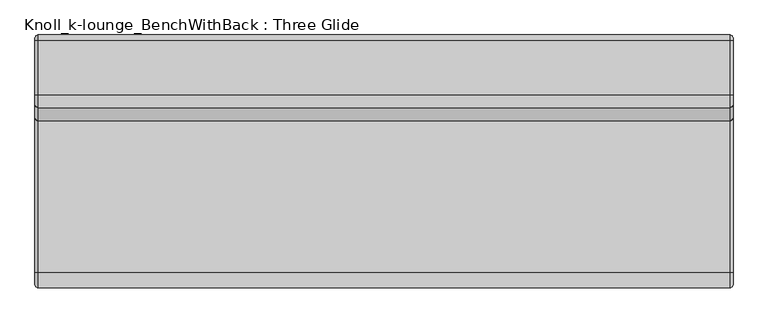
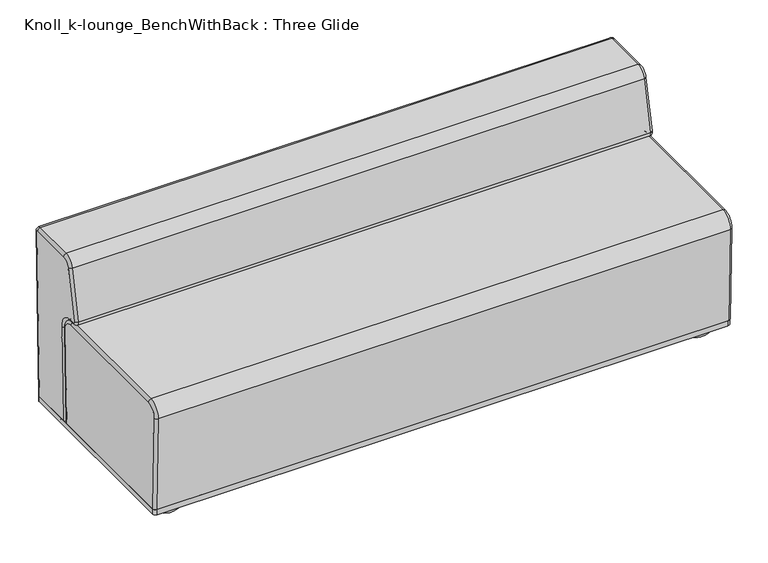
"""IFC4 building model written with IfcOpenShell, lengths in millimetres: furniture geometry, Knoll_k-lounge_BenchWithBack : Three Glide."""

from ifc_helpers import new_model, si_unit, point, frame, frame_2d, origin, place, context, project, spatial, polyline, circle_curve, ellipse_curve, trimmed, segment, composite_curve, outline, extrude, source, transform, mapped, element, save
from ifc_brep_helpers import plane_surface, cylinder_surface, revolved_surface, advanced_brep


def knoll_k_lounge_benchwithback_three_glide_afe26821(model_context):
    return source(origin(), model_context, "Body", "SolidModel", [
        advanced_brep(
        [(0.0, -707.4038211, 392.7257994), (0.0, -673.1276627, 427.99), (0.0, -212.7245581, 427.99), (0.0, -178.4483999, 392.7257938), (0.0, -187.9862255, 57.15), (0.0, -697.8660499, 57.15), (10.16, -168.2925011, 392.4371401), (1971.04, -168.2925011, 392.4371401), (1971.04, -177.8221226, 57.15), (10.16, -177.8221226, 57.15), (10.16, -212.7245581, 438.15), (1971.04, -212.7245581, 438.15), (10.16, -673.1276627, 438.15), (1971.04, -673.1276627, 438.15), (10.16, -717.5597199, 392.4371473), (1971.04, -717.5597199, 392.4371473), (10.16, -708.0301528, 57.15), (1971.04, -708.0301528, 57.15), (1981.2, -178.4483999, 392.7257938), (1981.2, -212.7245581, 427.99), (1981.2, -673.1276627, 427.99), (1981.2, -707.4038211, 392.7257994), (1981.2, -697.8660499, 57.15), (1981.2, -187.9862255, 57.15)],
        [
            (0, 1, circle_curve(frame((0.0, -673.1276627, 393.7), z_axis=(-1.0, 0.0, 0.0), x_axis=(0.0, 0.0, 1.0)), 34.29)),
            (1, 2),
            (2, 3, circle_curve(frame((0.0, -212.7245581, 393.7), z_axis=(-1.0, 0.0, 0.0), x_axis=(0.0, 0.9995963318518365, -0.02841079633437019)), 34.29)),
            (3, 4),
            (4, 5),
            (5, 0),
            (6, 7),
            (7, 8),
            (8, 9),
            (9, 6),
            (6, 10, circle_curve(frame((10.16, -212.7245581, 393.7), z_axis=(1.0, 0.0, 0.0), x_axis=(0.0, 0.9995963318518365, -0.02841079633437019)), 44.45)),
            (10, 11),
            (11, 7, circle_curve(frame((1971.04, -212.7245581, 393.7), z_axis=(-1.0, 0.0, 0.0), x_axis=(0.0, 0.9995963318518365, -0.02841079633437019)), 44.45)),
            (10, 12),
            (12, 13),
            (13, 11),
            (12, 14, circle_curve(frame((10.16, -673.1276627, 393.7), z_axis=(1.0, 0.0, 0.0), x_axis=(0.0, 0.0, 1.0)), 44.45)),
            (14, 15),
            (15, 13, circle_curve(frame((1971.04, -673.1276627, 393.7), z_axis=(-1.0, 0.0, 0.0), x_axis=(0.0, 0.0, 1.0)), 44.45)),
            (14, 16),
            (16, 17),
            (17, 15),
            (18, 19, circle_curve(frame((1981.2, -212.7245581, 393.7), z_axis=(1.0, 0.0, 0.0), x_axis=(0.0, 0.9995963318518365, -0.02841079633437019)), 34.29)),
            (19, 20),
            (20, 21, circle_curve(frame((1981.2, -673.1276627, 393.7), z_axis=(1.0, 0.0, 0.0), x_axis=(0.0, 0.0, 1.0)), 34.29)),
            (21, 22),
            (22, 23),
            (23, 18),
            (3, 6, circle_curve(frame((10.16, -178.4483999, 392.7257938), z_axis=(0.0, -0.02841079633436922, -0.9995963318518366), x_axis=(0.0, 0.9995963318518366, -0.02841079633436922)), 10.16)),
            (9, 4, ellipse_curve(frame((10.16, -187.9862255, 57.15), z_axis=(0.0, 0.0, 1.0), x_axis=(0.0, -1.0, 0.0)), 10.1641029, 10.16)),
            (7, 18, circle_curve(frame((1971.04, -178.4483999, 392.7257938), z_axis=(0.0, -0.02841079633436922, -0.9995963318518366), x_axis=(0.0, 0.9995963318518366, -0.02841079633436922)), 10.16)),
            (23, 8, ellipse_curve(frame((1971.04, -187.9862255, 57.15), z_axis=(0.0, 0.0, 1.0), x_axis=(0.0, -1.0, 0.0)), 10.1641029, 10.16)),
            (2, 10, circle_curve(frame((10.16, -212.7245581, 427.99), z_axis=(0.0, 1.0, 0.0), x_axis=(0.0, 0.0, 1.0)), 10.16)),
            (11, 19, circle_curve(frame((1971.04, -212.7245581, 427.99), z_axis=(0.0, 1.0, 0.0), x_axis=(0.0, 0.0, 1.0)), 10.16)),
            (1, 12, circle_curve(frame((10.16, -673.1276627, 427.99), z_axis=(0.0, 1.0, 0.0), x_axis=(0.0, 0.0, 1.0)), 10.16)),
            (13, 20, circle_curve(frame((1971.04, -673.1276627, 427.99), z_axis=(0.0, 1.0, 0.0), x_axis=(0.0, 0.0, 1.0)), 10.16)),
            (0, 14, circle_curve(frame((10.16, -707.4038211, 392.7257994), z_axis=(0.0, -0.028410633665291517, 0.9995963364752477), x_axis=(0.0, -0.9995963364752477, -0.028410633665291517)), 10.16)),
            (15, 21, circle_curve(frame((1971.04, -707.4038211, 392.7257994), z_axis=(0.0, -0.028410633665295955, 0.9995963364752476), x_axis=(0.0, -0.9995963364752476, -0.028410633665295955)), 10.16)),
            (5, 16, ellipse_curve(frame((10.16, -697.8660499, 57.15), z_axis=(0.0, 0.0, 1.0), x_axis=(0.0, -1.0, 0.0)), 10.1641029, 10.16)),
            (17, 22, ellipse_curve(frame((1971.04, -697.8660499, 57.15), z_axis=(0.0, 0.0, 1.0), x_axis=(0.0, -1.0, 0.0)), 10.1641029, 10.16)),
        ],
        [
            plane_surface(frame((0.0, -191.0686955, 38.1), z_axis=(-1.0000000000000002, 0.0, 0.0), x_axis=(0.0, 0.028410796334368296, 0.9995963318518367))),
            plane_surface(frame((10.16, -178.3738221, 37.7391829), z_axis=(0.0, 0.9995963318518366, -0.028410796334369624), x_axis=(0.0, 0.028410796334369624, 0.9995963318518366))),
            cylinder_surface(frame((0.0, -212.7245581, 393.7), z_axis=(1.0, 0.0, 0.0), x_axis=(0.0, 0.9995963318518365, -0.02841079633437019)), 44.45),
            plane_surface(frame((10.16, -212.7245581, 438.15), z_axis=(0.0, 0.0, 1.0), x_axis=(0.0, -1.0, 0.0))),
            cylinder_surface(frame((0.0, -673.1276627, 393.7), z_axis=(1.0, 0.0, 0.0), x_axis=(0.0, 0.0, 1.0)), 44.45),
            plane_surface(frame((10.16, -717.5597199, 392.4371473), z_axis=(0.0, -0.999596336475247, -0.02841063366531571), x_axis=(0.0, 0.02841063366531571, -0.999596336475247))),
            plane_surface(frame((1981.2, -188.5297208, 38.0278366), z_axis=(1.0000000000000002, 0.0, 0.0), x_axis=(0.0, 0.028410796334369243, 0.9995963318518366))),
            cylinder_surface(frame((10.16, -188.5297208, 38.0278366), z_axis=(0.0, -0.02841079633436922, -0.9995963318518366), x_axis=(0.0, 0.9995963318518366, -0.02841079633436922)), 10.16),
            cylinder_surface(frame((1971.04, -188.5297208, 38.0278366), z_axis=(0.0, -0.02841079633436922, -0.9995963318518366), x_axis=(0.0, 0.9995963318518366, -0.02841079633436922)), 10.16),
            revolved_surface(trimmed(ellipse_curve(frame((10.16, -178.4483999, 392.7257938), z_axis=(0.0, -0.02841079633437019, -0.9995963318518365), x_axis=(0.0, 0.9995963318518365, -0.02841079633437019)), 10.16, 10.16), [point((0.0, -178.4483999, 392.7257938))], [point((10.16, -168.2925011, 392.4371401))], True, "CARTESIAN"), (0.0, -212.7245581, 393.7), (1.0, 0.0, 0.0)),
            revolved_surface(trimmed(ellipse_curve(frame((1971.04, -178.4483999, 392.7257938), z_axis=(0.0, -0.02841079633437019, -0.9995963318518365), x_axis=(0.0, 0.9995963318518365, -0.02841079633437019)), 10.16, 10.16), [point((1971.04, -168.2925011, 392.4371401))], [point((1981.2, -178.4483999, 392.7257938))], True, "CARTESIAN"), (0.0, -212.7245581, 393.7), (1.0, 0.0, 0.0)),
            cylinder_surface(frame((10.16, -212.7245581, 427.99), z_axis=(0.0, 1.0, 0.0), x_axis=(0.0, 0.0, 1.0)), 10.16),
            cylinder_surface(frame((1971.04, -212.7245581, 427.99), z_axis=(0.0, 1.0, 0.0), x_axis=(0.0, 0.0, 1.0)), 10.16),
            revolved_surface(trimmed(ellipse_curve(frame((10.16, -673.1276627, 427.99), z_axis=(0.0, 1.0, 0.0), x_axis=(0.0, 0.0, 1.0)), 10.16, 10.16), [point((0.0, -673.1276627, 427.99))], [point((10.16, -673.1276627, 438.15))], True, "CARTESIAN"), (0.0, -673.1276627, 393.7), (1.0, 0.0, 0.0)),
            revolved_surface(trimmed(ellipse_curve(frame((1971.04, -673.1276627, 427.99), z_axis=(0.0, 1.0, 0.0), x_axis=(0.0, 0.0, 1.0)), 10.16, 10.16), [point((1971.04, -673.1276627, 438.15))], [point((1981.2, -673.1276627, 427.99))], True, "CARTESIAN"), (0.0, -673.1276627, 393.7), (1.0, 0.0, 0.0)),
            cylinder_surface(frame((10.16, -707.4038211, 392.7257994), z_axis=(0.0, -0.028410633665317608, 0.9995963364752469), x_axis=(0.0, -0.9995963364752469, -0.028410633665317608)), 10.16),
            cylinder_surface(frame((1971.04, -707.4038211, 392.7257994), z_axis=(0.0, -0.028410633665317608, 0.9995963364752469), x_axis=(0.0, -0.9995963364752469, -0.028410633665317608)), 10.16),
            plane_surface(frame((-25.4, 25.4, 57.15), z_axis=(0.0, 0.0, -1.0), x_axis=(0.0, -1.0, 0.0))),
        ],
        [
            (0, [[1, 2, 3, 4, 5, 6]]),
            (1, [[7, 8, 9, 10]]),
            (2, [[-7, 11, 12, 13]]),
            (3, [[-12, 14, 15, 16]]),
            (4, [[-15, 17, 18, 19]]),
            (5, [[-18, 20, 21, 22]]),
            (6, [[23, 24, 25, 26, 27, 28]]),
            (7, [[29, -10, 30, -4]]),
            (8, [[31, -28, 32, -8]]),
            (9, [[-3, 33, -11, -29]]),
            (10, [[-13, 34, -23, -31]]),
            (11, [[-2, 35, -14, -33]]),
            (12, [[-16, 36, -24, -34]]),
            (13, [[-1, 37, -17, -35]]),
            (14, [[-19, 38, -25, -36]]),
            (15, [[-37, -6, 39, -20]]),
            (16, [[-38, -22, 40, -26]]),
            (17, [[-5, -30, -9, -32, -27, -40, -21, -39]]),
        ],
    ),
        advanced_brep(
        [(0.0, -158.1626524, 392.1483892), (0.0, -212.7245503, 448.2839555), (0.0, -228.7554271, 448.2839555), (0.0, -233.7498923, 454.4516067), (0.0, -196.836694, 628.1144936), (0.0, -169.4817751, 650.2660687), (0.0, -15.300339, 650.2660687), (0.0, -10.1958901, 645.0323832), (0.0, -24.8963821, 57.15), (0.0, -167.689211, 57.15), (10.16, -0.0390651, 644.7784033), (1971.04, -0.0390651, 644.7784033), (1971.04, -14.7332061, 57.15), (10.16, -14.7332061, 57.15), (10.16, -15.300339, 660.4260687), (1971.04, -15.300339, 660.4260687), (10.16, -169.4817751, 660.4260687), (1971.04, -169.4817751, 660.4260687), (10.16, -206.7746735, 630.2268771), (1971.04, -206.7746735, 630.2268771), (10.16, -243.6878717, 456.5639901), (1971.04, -243.6878717, 456.5639901), (10.16, -228.7554271, 438.1239555), (1971.04, -228.7554271, 438.1239555), (10.16, -212.7245503, 438.1239555), (1971.04, -212.7245503, 438.1239555), (10.16, -168.3185467, 392.4371987), (1971.04, -168.3185467, 392.4371987), (10.16, -177.8533184, 57.15), (1971.04, -177.8533184, 57.15), (1981.2, -10.1958901, 645.0323832), (1981.2, -15.300339, 650.2660687), (1981.2, -169.4817751, 650.2660687), (1981.2, -196.836694, 628.1144936), (1981.2, -233.7498923, 454.4516067), (1981.2, -228.7554271, 448.2839555), (1981.2, -212.7245503, 448.2839555), (1981.2, -158.1626524, 392.1483892), (1981.2, -167.689211, 57.15), (1981.2, -24.8963821, 57.15)],
        [
            (0, 1, circle_curve(frame((0.0, -212.7245503, 393.7), z_axis=(1.0, 0.0, 0.0), x_axis=(0.0, 0.0, 1.0)), 54.5839555)),
            (1, 2),
            (2, 3, circle_curve(frame((0.0, -228.7554271, 453.39), z_axis=(-1.0, 0.0, 0.0), x_axis=(0.0, -0.9781475869151179, 0.20791175582956273)), 5.1060445)),
            (3, 4),
            (4, 5, circle_curve(frame((0.0, -169.4817751, 622.3000242), z_axis=(-1.0, 0.0, 0.0), x_axis=(0.0, 0.0, 1.0)), 27.9660445)),
            (5, 6),
            (6, 7, circle_curve(frame((0.0, -15.300339, 645.1600242), z_axis=(-1.0, 0.0, 0.0), x_axis=(0.0, 0.9996875005622113, -0.024998024315508183)), 5.1060445)),
            (7, 8),
            (8, 9),
            (9, 0),
            (10, 11),
            (11, 12),
            (12, 13),
            (13, 10),
            (10, 14, circle_curve(frame((10.16, -15.300339, 645.1600242), z_axis=(1.0, 0.0, 0.0), x_axis=(0.0, 0.9996875005622113, -0.024998024315508183)), 15.2660445)),
            (14, 15),
            (15, 11, circle_curve(frame((1971.04, -15.300339, 645.1600242), z_axis=(-1.0, 0.0, 0.0), x_axis=(0.0, 0.9996875005622113, -0.024998024315508183)), 15.2660445)),
            (14, 16),
            (16, 17),
            (17, 15),
            (16, 18, circle_curve(frame((10.16, -169.4817751, 622.3000242), z_axis=(1.0, 0.0, 0.0), x_axis=(0.0, 0.0, 1.0)), 38.1260445)),
            (18, 19),
            (19, 17, circle_curve(frame((1971.04, -169.4817751, 622.3000242), z_axis=(-1.0, 0.0, 0.0), x_axis=(0.0, 0.0, 1.0)), 38.1260445)),
            (18, 20),
            (20, 21),
            (21, 19),
            (20, 22, circle_curve(frame((10.16, -228.7554271, 453.39), z_axis=(1.0, 0.0, 0.0), x_axis=(0.0, -0.9781475869151179, 0.20791175582956273)), 15.2660445)),
            (22, 23),
            (23, 21, circle_curve(frame((1971.04, -228.7554271, 453.39), z_axis=(-1.0, 0.0, 0.0), x_axis=(0.0, -0.9781475869151179, 0.20791175582956273)), 15.2660445)),
            (22, 24),
            (24, 25),
            (25, 23),
            (24, 26, circle_curve(frame((10.16, -212.7245503, 393.7), z_axis=(-1.0, 0.0, 0.0), x_axis=(0.0, 0.0, 1.0)), 44.4239555)),
            (26, 27),
            (27, 25, circle_curve(frame((1971.04, -212.7245503, 393.7), z_axis=(1.0, 0.0, 0.0), x_axis=(0.0, 0.0, 1.0)), 44.4239555)),
            (26, 28),
            (28, 29),
            (29, 27),
            (30, 31, circle_curve(frame((1981.2, -15.300339, 645.1600242), z_axis=(1.0, 0.0, 0.0), x_axis=(0.0, 0.9996875005622113, -0.024998024315508183)), 5.1060445)),
            (31, 32),
            (32, 33, circle_curve(frame((1981.2, -169.4817751, 622.3000242), z_axis=(1.0, 0.0, 0.0), x_axis=(0.0, 0.0, 1.0)), 27.9660445)),
            (33, 34),
            (34, 35, circle_curve(frame((1981.2, -228.7554271, 453.39), z_axis=(1.0, 0.0, 0.0), x_axis=(0.0, -0.9781475869151179, 0.20791175582956273)), 5.1060445)),
            (35, 36),
            (36, 37, circle_curve(frame((1981.2, -212.7245503, 393.7), z_axis=(-1.0, 0.0, 0.0), x_axis=(0.0, 0.0, 1.0)), 54.5839555)),
            (37, 38),
            (38, 39),
            (39, 30),
            (7, 10, circle_curve(frame((10.16, -10.1958901, 645.0323832), z_axis=(0.0, -0.024998024315484563, -0.999687500562212), x_axis=(0.0, 0.999687500562212, -0.024998024315484563)), 10.16)),
            (13, 8, ellipse_curve(frame((10.16, -24.8963821, 57.15), z_axis=(0.0, 0.0, 1.0), x_axis=(0.0, -1.0, 0.0)), 10.163176, 10.16)),
            (11, 30, circle_curve(frame((1971.04, -10.1958901, 645.0323832), z_axis=(0.0, -0.024998024315484563, -0.999687500562212), x_axis=(0.0, 0.999687500562212, -0.024998024315484563)), 10.16)),
            (39, 12, ellipse_curve(frame((1971.04, -24.8963821, 57.15), z_axis=(0.0, 0.0, 1.0), x_axis=(0.0, -1.0, 0.0)), 10.163176, 10.16)),
            (6, 14, circle_curve(frame((10.16, -15.300339, 650.2660687), z_axis=(0.0, 1.0, 0.0), x_axis=(0.0, 0.0, 1.0)), 10.16)),
            (15, 31, circle_curve(frame((1971.04, -15.300339, 650.2660687), z_axis=(0.0, 1.0, 0.0), x_axis=(0.0, 0.0, 1.0)), 10.16)),
            (5, 16, circle_curve(frame((10.16, -169.4817751, 650.2660687), z_axis=(0.0, 1.0, 0.0), x_axis=(0.0, 0.0, 1.0)), 10.16)),
            (17, 32, circle_curve(frame((1971.04, -169.4817751, 650.2660687), z_axis=(0.0, 1.0, 0.0), x_axis=(0.0, 0.0, 1.0)), 10.16)),
            (4, 18, circle_curve(frame((10.16, -196.836694, 628.1144936), z_axis=(0.0, 0.20791175582958119, 0.978147586915114), x_axis=(0.0, -0.978147586915114, 0.20791175582958119)), 10.16)),
            (19, 33, circle_curve(frame((1971.04, -196.836694, 628.1144936), z_axis=(0.0, 0.20791175582957597, 0.9781475869151152), x_axis=(0.0, -0.9781475869151152, 0.20791175582957597)), 10.16)),
            (3, 20, circle_curve(frame((10.16, -233.7498923, 454.4516067), z_axis=(0.0, 0.2079117558295713, 0.9781475869151162), x_axis=(0.0, -0.9781475869151162, 0.2079117558295713)), 10.16)),
            (21, 34, circle_curve(frame((1971.04, -233.7498923, 454.4516067), z_axis=(0.0, 0.2079117558295713, 0.9781475869151162), x_axis=(0.0, -0.9781475869151162, 0.2079117558295713)), 10.16)),
            (2, 22, circle_curve(frame((10.16, -228.7554271, 448.2839555), z_axis=(0.0, -0.9999999999999999, 0.0), x_axis=(0.0, 0.0, -0.9999999999999999)), 10.16)),
            (23, 35, circle_curve(frame((1971.04, -228.7554271, 448.2839555), z_axis=(0.0, -0.9999999999999999, 0.0), x_axis=(0.0, 0.0, -0.9999999999999999)), 10.16)),
            (1, 24, circle_curve(frame((10.16, -212.7245503, 448.2839555), z_axis=(0.0, -1.0, 0.0), x_axis=(0.0, 0.0, -1.0)), 10.16)),
            (25, 36, circle_curve(frame((1971.04, -212.7245503, 448.2839555), z_axis=(0.0, -1.0, 0.0), x_axis=(0.0, 0.0, -1.0)), 10.16)),
            (0, 26, circle_curve(frame((10.16, -158.1626524, 392.1483892), z_axis=(0.0, 0.028426133328951084, 0.999595895821889), x_axis=(0.0, -0.999595895821889, 0.028426133328951084)), 10.16)),
            (27, 37, circle_curve(frame((1971.04, -158.1626524, 392.1483892), z_axis=(0.0, 0.028426133328950862, 0.999595895821889), x_axis=(0.0, -0.999595895821889, 0.028426133328950862)), 10.16)),
            (9, 28, ellipse_curve(frame((10.16, -167.689211, 57.15), z_axis=(0.0, 0.0, 1.0), x_axis=(0.0, 1.0, 0.0)), 10.1641074, 10.16)),
            (29, 38, ellipse_curve(frame((1971.04, -167.689211, 57.15), z_axis=(0.0, 0.0, 1.0), x_axis=(0.0, 1.0, 0.0)), 10.1641074, 10.16)),
        ],
        [
            plane_surface(frame((0.0, -27.93959, 38.1), z_axis=(-1.0000000000000002, 0.0, 0.0), x_axis=(0.0, 0.024998024315484275, 0.999687500562212))),
            plane_surface(frame((10.16, -15.2175224, 37.781874), z_axis=(0.0, 0.999687500562212, -0.024998024315483782), x_axis=(0.0, 0.024998024315483782, 0.999687500562212))),
            cylinder_surface(frame((0.0, -15.300339, 645.1600242), z_axis=(1.0, 0.0, 0.0), x_axis=(0.0, 0.9996875005622113, -0.024998024315508183)), 15.2660445),
            plane_surface(frame((10.16, -15.300339, 660.4260687), z_axis=(0.0, 0.0, 1.0), x_axis=(0.0, -1.0, 0.0))),
            cylinder_surface(frame((0.0, -169.4817751, 622.3000242), z_axis=(1.0, 0.0, 0.0), x_axis=(0.0, 0.0, 1.0)), 38.1260445),
            plane_surface(frame((10.16, -206.7746735, 630.2268771), z_axis=(0.0, -0.9781475869151162, 0.20791175582957136), x_axis=(0.0, -0.20791175582957136, -0.9781475869151162))),
            cylinder_surface(frame((0.0, -228.7554271, 453.39), z_axis=(1.0, 0.0, 0.0), x_axis=(0.0, -0.9781475869151179, 0.20791175582956273)), 15.2660445),
            plane_surface(frame((10.16, -228.7554271, 438.1239555), z_axis=(0.0, 0.0, -1.0), x_axis=(0.0, 1.0, 0.0))),
            revolved_surface(polyline([(10.16, -212.7245503, 438.12395549999997), (1971.04, -212.7245503, 438.12395549999997)]), (0.0, -212.7245503, 393.7), (-1.0, 0.0, 0.0)),
            plane_surface(frame((10.16, -168.3185467, 392.4371987), z_axis=(0.0, -0.9995958958218888, 0.02842613332895926), x_axis=(0.0, -0.02842613332895926, -0.9995958958218888))),
            plane_surface(frame((1981.2, -25.3743474, 38.035854), z_axis=(1.0000000000000002, 0.0, 0.0), x_axis=(0.0, 0.024998024315483744, 0.999687500562212))),
            cylinder_surface(frame((10.16, -25.3743474, 38.035854), z_axis=(0.0, -0.024998024315484563, -0.999687500562212), x_axis=(0.0, 0.999687500562212, -0.024998024315484563)), 10.16),
            cylinder_surface(frame((1971.04, -25.3743474, 38.035854), z_axis=(0.0, -0.024998024315484563, -0.999687500562212), x_axis=(0.0, 0.999687500562212, -0.024998024315484563)), 10.16),
            revolved_surface(trimmed(ellipse_curve(frame((10.16, -10.1958901, 645.0323832), z_axis=(0.0, -0.024998024315508186, -0.9996875005622113), x_axis=(0.0, 0.9996875005622113, -0.024998024315508186)), 10.16, 10.16), [point((0.0, -10.1958901, 645.0323832))], [point((10.16, -0.0390651, 644.7784033))], True, "CARTESIAN"), (0.0, -15.300339, 645.1600242), (1.0, 0.0, 0.0)),
            revolved_surface(trimmed(ellipse_curve(frame((1971.04, -10.1958901, 645.0323832), z_axis=(0.0, -0.024998024315508186, -0.9996875005622113), x_axis=(0.0, 0.9996875005622113, -0.024998024315508186)), 10.16, 10.16), [point((1971.04, -0.0390651, 644.7784033))], [point((1981.2, -10.1958901, 645.0323832))], True, "CARTESIAN"), (0.0, -15.300339, 645.1600242), (1.0, 0.0, 0.0)),
            cylinder_surface(frame((10.16, -15.300339, 650.2660687), z_axis=(0.0, 1.0, 0.0), x_axis=(0.0, 0.0, 1.0)), 10.16),
            cylinder_surface(frame((1971.04, -15.300339, 650.2660687), z_axis=(0.0, 1.0, 0.0), x_axis=(0.0, 0.0, 1.0)), 10.16),
            revolved_surface(trimmed(ellipse_curve(frame((10.16, -169.4817751, 650.2660687), z_axis=(0.0, 1.0, 0.0), x_axis=(0.0, 0.0, 1.0)), 10.16, 10.16), [point((0.0, -169.4817751, 650.2660687))], [point((10.16, -169.4817751, 660.4260687))], True, "CARTESIAN"), (0.0, -169.4817751, 622.3000242), (1.0, 0.0, 0.0)),
            revolved_surface(trimmed(ellipse_curve(frame((1971.04, -169.4817751, 650.2660687), z_axis=(0.0, 1.0, 0.0), x_axis=(0.0, 0.0, 1.0)), 10.16, 10.16), [point((1971.04, -169.4817751, 660.4260687))], [point((1981.2, -169.4817751, 650.2660687))], True, "CARTESIAN"), (0.0, -169.4817751, 622.3000242), (1.0, 0.0, 0.0)),
            cylinder_surface(frame((10.16, -196.836694, 628.1144936), z_axis=(0.0, 0.2079117558295713, 0.9781475869151162), x_axis=(0.0, -0.9781475869151162, 0.2079117558295713)), 10.16),
            cylinder_surface(frame((1971.04, -196.836694, 628.1144936), z_axis=(0.0, 0.2079117558295713, 0.9781475869151162), x_axis=(0.0, -0.9781475869151162, 0.2079117558295713)), 10.16),
            revolved_surface(trimmed(ellipse_curve(frame((10.16, -233.7498923, 454.4516067), z_axis=(0.0, 0.20791175582956276, 0.9781475869151179), x_axis=(0.0, -0.9781475869151179, 0.20791175582956276)), 10.16, 10.16), [point((0.0, -233.7498923, 454.4516067))], [point((10.16, -243.6878717, 456.5639901))], True, "CARTESIAN"), (0.0, -228.7554271, 453.39), (1.0, 0.0, 0.0)),
            revolved_surface(trimmed(ellipse_curve(frame((1971.04, -233.7498923, 454.4516067), z_axis=(0.0, 0.20791175582956276, 0.9781475869151179), x_axis=(0.0, -0.9781475869151179, 0.20791175582956276)), 10.16, 10.16), [point((1971.04, -243.6878717, 456.5639901))], [point((1981.2, -233.7498923, 454.4516067))], True, "CARTESIAN"), (0.0, -228.7554271, 453.39), (1.0, 0.0, 0.0)),
            cylinder_surface(frame((10.16, -228.7554271, 448.2839555), z_axis=(0.0, -1.0, 0.0), x_axis=(0.0, 0.0, -1.0)), 10.16),
            cylinder_surface(frame((1971.04, -228.7554271, 448.2839555), z_axis=(0.0, -1.0, 0.0), x_axis=(0.0, 0.0, -1.0)), 10.16),
            revolved_surface(trimmed(ellipse_curve(frame((10.16, -212.7245503, 448.2839555), z_axis=(0.0, -1.0, 0.0), x_axis=(0.0, 0.0, -1.0)), 10.16, 10.16), [point((0.0, -212.7245503, 448.2839555))], [point((10.16, -212.7245503, 438.1239555))], True, "CARTESIAN"), (0.0, -212.7245503, 393.7), (-1.0, 0.0, 0.0)),
            revolved_surface(trimmed(ellipse_curve(frame((1971.04, -212.7245503, 448.2839555), z_axis=(0.0, -1.0, 0.0), x_axis=(0.0, 0.0, -1.0)), 10.16, 10.16), [point((1971.04, -212.7245503, 438.1239555))], [point((1981.2, -212.7245503, 448.2839555))], True, "CARTESIAN"), (0.0, -212.7245503, 393.7), (-1.0, 0.0, 0.0)),
            cylinder_surface(frame((10.16, -158.1626524, 392.1483892), z_axis=(0.0, 0.02842613332895832, 0.9995958958218888), x_axis=(0.0, -0.9995958958218888, 0.02842613332895832)), 10.16),
            cylinder_surface(frame((1971.04, -158.1626524, 392.1483892), z_axis=(0.0, 0.02842613332895832, 0.9995958958218888), x_axis=(0.0, -0.9995958958218888, 0.02842613332895832)), 10.16),
            plane_surface(frame((-25.4, 25.4, 57.15), z_axis=(0.0, 0.0, -1.0), x_axis=(0.0, -1.0, 0.0))),
        ],
        [
            (0, [[1, 2, 3, 4, 5, 6, 7, 8, 9, 10]]),
            (1, [[11, 12, 13, 14]]),
            (2, [[-11, 15, 16, 17]]),
            (3, [[-16, 18, 19, 20]]),
            (4, [[-19, 21, 22, 23]]),
            (5, [[-22, 24, 25, 26]]),
            (6, [[-25, 27, 28, 29]]),
            (7, [[-28, 30, 31, 32]]),
            (8, [[-31, 33, 34, 35]]),
            (9, [[-34, 36, 37, 38]]),
            (10, [[39, 40, 41, 42, 43, 44, 45, 46, 47, 48]]),
            (11, [[49, -14, 50, -8]]),
            (12, [[51, -48, 52, -12]]),
            (13, [[-7, 53, -15, -49]]),
            (14, [[-17, 54, -39, -51]]),
            (15, [[-6, 55, -18, -53]]),
            (16, [[-20, 56, -40, -54]]),
            (17, [[-5, 57, -21, -55]]),
            (18, [[-23, 58, -41, -56]]),
            (19, [[-4, 59, -24, -57]]),
            (20, [[-26, 60, -42, -58]]),
            (21, [[-3, 61, -27, -59]]),
            (22, [[-29, 62, -43, -60]]),
            (23, [[-2, 63, -30, -61]]),
            (24, [[-32, 64, -44, -62]]),
            (25, [[-1, 65, -33, -63]]),
            (26, [[-35, 66, -45, -64]]),
            (27, [[-65, -10, 67, -36]]),
            (28, [[-66, -38, 68, -46]]),
            (29, [[-9, -50, -13, -52, -47, -68, -37, -67]]),
        ],
    ),
        advanced_brep(
        [(1901.8249758, -628.6499879, 38.1), (1847.8499879, -628.6499879, 38.1), (1955.7999637, -628.6499879, 38.1), (1936.7499637, -628.6499879, 0.0), (1866.8999879, -628.6499879, 0.0), (1901.8249758, -628.6499879, 0.0), (1955.7999637, -628.6499879, 19.05), (1847.8499879, -628.6499879, 19.05)],
        [
            (0, 1),
            (1, 2, circle_curve(frame((1901.8249758, -628.6499879, 38.1), z_axis=(0.0, 0.0, 1.0), x_axis=(-1.0, 0.0, 0.0)), 53.9749879)),
            (2, 0),
            (2, 1, circle_curve(frame((1901.8249758, -628.6499879, 38.1), z_axis=(0.0, 0.0, 1.0), x_axis=(-1.0, 0.0, 0.0)), 53.9749879)),
            (3, 4, circle_curve(frame((1901.8249758, -628.6499879, 0.0), z_axis=(0.0, 0.0, -1.0), x_axis=(-1.0, 0.0, 0.0)), 34.9249879)),
            (4, 5),
            (5, 3),
            (4, 3, circle_curve(frame((1901.8249758, -628.6499879, 0.0), z_axis=(0.0, 0.0, -1.0), x_axis=(-1.0, 0.0, 0.0)), 34.9249879)),
            (6, 7, circle_curve(frame((1901.8249758, -628.6499879, 19.05), z_axis=(0.0, 0.0, -1.0), x_axis=(-1.0, 0.0, 0.0)), 53.9749879)),
            (7, 4, circle_curve(frame((1866.8999879, -628.6499879, 19.05), z_axis=(0.0, -1.0, 0.0), x_axis=(-1.0, 0.0, 0.0)), 19.05)),
            (3, 6, circle_curve(frame((1936.7499637, -628.6499879, 19.05), z_axis=(0.0, -1.0, 0.0), x_axis=(1.0, 0.0, 0.0)), 19.05)),
            (7, 6, circle_curve(frame((1901.8249758, -628.6499879, 19.05), z_axis=(0.0, 0.0, -1.0), x_axis=(-1.0, 0.0, 0.0)), 53.9749879)),
            (1, 7),
            (6, 2),
        ],
        [
            plane_surface(frame((1901.8249758, -628.6499879, 38.1), z_axis=(0.0, 0.0, 1.0), x_axis=(-1.0, 0.0, 0.0))),
            plane_surface(frame((1901.8249758, -628.6499879, 0.0), z_axis=(0.0, 0.0, -1.0), x_axis=(-1.0, 0.0, 0.0))),
            revolved_surface(trimmed(ellipse_curve(frame((1866.8999879, -628.6499879, 19.05), z_axis=(0.0, 1.0, 0.0), x_axis=(-1.0, 0.0, 0.0)), 19.05, 19.05), [point((1866.8999879, -628.6499879, 0.0))], [point((1847.8499879, -628.6499879, 19.05))], True, "CARTESIAN"), (1901.8249758, -628.6499879, 47.8215325), (0.0, 0.0, 1.0)),
            cylinder_surface(frame((1901.8249758, -628.6499879, 47.8215325), z_axis=(0.0, 0.0, 1.0), x_axis=(-1.0, 0.0, 0.0)), 53.9749879),
        ],
        [
            (0, [[1, 2, 3]]),
            (0, [[-3, 4, -1]]),
            (1, [[5, 6, 7]]),
            (1, [[8, -7, -6]]),
            (2, [[9, 10, -5, 11]]),
            (2, [[12, -11, -8, -10]]),
            (3, [[-2, 13, -9, 14]]),
            (3, [[-4, -14, -12, -13]]),
        ],
    ),
        advanced_brep(
        [(79.374997, -628.6499879, 38.1), (25.4000008, -628.6499879, 38.1), (133.3499932, -628.6499879, 38.1), (114.2999932, -628.6499879, 0.0), (44.4500008, -628.6499879, 0.0), (79.374997, -628.6499879, 0.0), (133.3499932, -628.6499879, 19.05), (25.4000008, -628.6499879, 19.05)],
        [
            (0, 1),
            (1, 2, circle_curve(frame((79.374997, -628.6499879, 38.1), z_axis=(0.0, 0.0, 1.0), x_axis=(-1.0, 0.0, 0.0)), 53.9749962)),
            (2, 0),
            (2, 1, circle_curve(frame((79.374997, -628.6499879, 38.1), z_axis=(0.0, 0.0, 1.0), x_axis=(-1.0, 0.0, 0.0)), 53.9749962)),
            (3, 4, circle_curve(frame((79.374997, -628.6499879, 0.0), z_axis=(0.0, 0.0, -1.0), x_axis=(-1.0, 0.0, 0.0)), 34.9249962)),
            (4, 5),
            (5, 3),
            (4, 3, circle_curve(frame((79.374997, -628.6499879, 0.0), z_axis=(0.0, 0.0, -1.0), x_axis=(-1.0, 0.0, 0.0)), 34.9249962)),
            (6, 7, circle_curve(frame((79.374997, -628.6499879, 19.05), z_axis=(0.0, 0.0, -1.0), x_axis=(-1.0, 0.0, 0.0)), 53.9749962)),
            (7, 4, circle_curve(frame((44.4500008, -628.6499879, 19.05), z_axis=(0.0, -1.0, 0.0), x_axis=(-1.0, 0.0, 0.0)), 19.05)),
            (3, 6, circle_curve(frame((114.2999932, -628.6499879, 19.05), z_axis=(0.0, -1.0, 0.0), x_axis=(1.0, 0.0, 0.0)), 19.05)),
            (7, 6, circle_curve(frame((79.374997, -628.6499879, 19.05), z_axis=(0.0, 0.0, -1.0), x_axis=(-1.0, 0.0, 0.0)), 53.9749962)),
            (1, 7),
            (6, 2),
        ],
        [
            plane_surface(frame((79.374997, -628.6499879, 38.1), z_axis=(0.0, 0.0, 1.0), x_axis=(-1.0, 0.0, 0.0))),
            plane_surface(frame((79.374997, -628.6499879, 0.0), z_axis=(0.0, 0.0, -1.0), x_axis=(-1.0, 0.0, 0.0))),
            revolved_surface(trimmed(ellipse_curve(frame((44.4500008, -628.6499879, 19.05), z_axis=(0.0, 1.0, 0.0), x_axis=(-1.0, 0.0, 0.0)), 19.05, 19.05), [point((44.4500008, -628.6499879, 0.0))], [point((25.4000008, -628.6499879, 19.05))], True, "CARTESIAN"), (79.374997, -628.6499879, 63.5), (0.0, 0.0, 1.0)),
            cylinder_surface(frame((79.374997, -628.6499879, 63.5), z_axis=(0.0, 0.0, 1.0), x_axis=(-1.0, 0.0, 0.0)), 53.9749962),
        ],
        [
            (0, [[1, 2, 3]]),
            (0, [[-3, 4, -1]]),
            (1, [[5, 6, 7]]),
            (1, [[8, -7, -6]]),
            (2, [[9, 10, -5, 11]]),
            (2, [[12, -11, -8, -10]]),
            (3, [[-2, 13, -9, 14]]),
            (3, [[-4, -14, -12, -13]]),
        ],
    ),
        advanced_brep(
        [(1936.7499637, -94.1342614, 0.0), (1866.8999879, -94.1342614, 0.0), (1901.8249758, -94.1342614, 0.0), (1955.7999637, -94.1342614, 19.05), (1847.8499879, -94.1342614, 19.05), (1955.7999637, -94.1342614, 38.1), (1847.8499879, -94.1342614, 38.1), (1901.8249758, -94.1342614, 38.1)],
        [
            (0, 1, circle_curve(frame((1901.8249758, -94.1342614, 0.0), z_axis=(0.0, 0.0, -1.0), x_axis=(-1.0, 0.0, 0.0)), 34.9249879)),
            (1, 2),
            (2, 0),
            (1, 0, circle_curve(frame((1901.8249758, -94.1342614, 0.0), z_axis=(0.0, 0.0, -1.0), x_axis=(-1.0, 0.0, 0.0)), 34.9249879)),
            (3, 4, circle_curve(frame((1901.8249758, -94.1342614, 19.05), z_axis=(0.0, 0.0, -1.0), x_axis=(-1.0, 0.0, 0.0)), 53.9749879)),
            (4, 1, circle_curve(frame((1866.8999879, -94.1342614, 19.05), z_axis=(0.0, -1.0, 0.0), x_axis=(-1.0, 0.0, 0.0)), 19.05)),
            (0, 3, circle_curve(frame((1936.7499637, -94.1342614, 19.05), z_axis=(0.0, -1.0, 0.0), x_axis=(1.0, 0.0, 0.0)), 19.05)),
            (4, 3, circle_curve(frame((1901.8249758, -94.1342614, 19.05), z_axis=(0.0, 0.0, -1.0), x_axis=(-1.0, 0.0, 0.0)), 53.9749879)),
            (5, 6, circle_curve(frame((1901.8249758, -94.1342614, 38.1), z_axis=(0.0, 0.0, -1.0), x_axis=(-1.0, 0.0, 0.0)), 53.9749879)),
            (6, 4),
            (3, 5),
            (6, 5, circle_curve(frame((1901.8249758, -94.1342614, 38.1), z_axis=(0.0, 0.0, -1.0), x_axis=(-1.0, 0.0, 0.0)), 53.9749879)),
            (7, 6),
            (5, 7),
        ],
        [
            plane_surface(frame((1901.8249758, -94.1342614, 0.0), z_axis=(0.0, 0.0, -1.0), x_axis=(-1.0, 0.0, 0.0))),
            revolved_surface(trimmed(ellipse_curve(frame((1866.8999879, -94.1342614, 19.05), z_axis=(0.0, 1.0, 0.0), x_axis=(-1.0, 0.0, 0.0)), 19.05, 19.05), [point((1866.8999879, -94.1342614, 0.0))], [point((1847.8499879, -94.1342614, 19.05))], True, "CARTESIAN"), (1901.8249758, -94.1342614, 63.5), (0.0, 0.0, 1.0)),
            cylinder_surface(frame((1901.8249758, -94.1342614, 63.5), z_axis=(0.0, 0.0, 1.0), x_axis=(-1.0, 0.0, 0.0)), 53.9749879),
            plane_surface(frame((1901.8249758, -94.1342614, 38.1), z_axis=(0.0, 0.0, 1.0), x_axis=(-1.0, 0.0, 0.0))),
        ],
        [
            (0, [[1, 2, 3]]),
            (0, [[4, -3, -2]]),
            (1, [[5, 6, -1, 7]]),
            (1, [[8, -7, -4, -6]]),
            (2, [[9, 10, -5, 11]]),
            (2, [[12, -11, -8, -10]]),
            (3, [[13, -9, 14]]),
            (3, [[-14, -12, -13]]),
        ],
    ),
        advanced_brep(
        [(114.2999932, -94.1342614, 0.0), (44.4500008, -94.1342614, 0.0), (79.374997, -94.1342614, 0.0), (133.3499932, -94.1342614, 19.05), (25.4000008, -94.1342614, 19.05), (133.3499932, -94.1342614, 38.1), (25.4000008, -94.1342614, 38.1), (79.374997, -94.1342614, 38.1)],
        [
            (0, 1, circle_curve(frame((79.374997, -94.1342614, 0.0), z_axis=(0.0, 0.0, -1.0), x_axis=(-1.0, 0.0, 0.0)), 34.9249962)),
            (1, 2),
            (2, 0),
            (1, 0, circle_curve(frame((79.374997, -94.1342614, 0.0), z_axis=(0.0, 0.0, -1.0), x_axis=(-1.0, 0.0, 0.0)), 34.9249962)),
            (3, 4, circle_curve(frame((79.374997, -94.1342614, 19.05), z_axis=(0.0, 0.0, -1.0), x_axis=(-1.0, 0.0, 0.0)), 53.9749962)),
            (4, 1, circle_curve(frame((44.4500008, -94.1342614, 19.05), z_axis=(0.0, -1.0, 0.0), x_axis=(-1.0, 0.0, 0.0)), 19.05)),
            (0, 3, circle_curve(frame((114.2999932, -94.1342614, 19.05), z_axis=(0.0, -1.0, 0.0), x_axis=(1.0, 0.0, 0.0)), 19.05)),
            (4, 3, circle_curve(frame((79.374997, -94.1342614, 19.05), z_axis=(0.0, 0.0, -1.0), x_axis=(-1.0, 0.0, 0.0)), 53.9749962)),
            (5, 6, circle_curve(frame((79.374997, -94.1342614, 38.1), z_axis=(0.0, 0.0, -1.0), x_axis=(-1.0, 0.0, 0.0)), 53.9749962)),
            (6, 4),
            (3, 5),
            (6, 5, circle_curve(frame((79.374997, -94.1342614, 38.1), z_axis=(0.0, 0.0, -1.0), x_axis=(-1.0, 0.0, 0.0)), 53.9749962)),
            (7, 6),
            (5, 7),
        ],
        [
            plane_surface(frame((79.374997, -94.1342614, 0.0), z_axis=(0.0, 0.0, -1.0), x_axis=(-1.0, 0.0, 0.0))),
            revolved_surface(trimmed(ellipse_curve(frame((44.4500008, -94.1342614, 19.05), z_axis=(0.0, 1.0, 0.0), x_axis=(-1.0, 0.0, 0.0)), 19.05, 19.05), [point((44.4500008, -94.1342614, 0.0))], [point((25.4000008, -94.1342614, 19.05))], True, "CARTESIAN"), (79.374997, -94.1342614, 63.5), (0.0, 0.0, 1.0)),
            cylinder_surface(frame((79.374997, -94.1342614, 63.5), z_axis=(0.0, 0.0, 1.0), x_axis=(-1.0, 0.0, 0.0)), 53.9749962),
            plane_surface(frame((79.374997, -94.1342614, 38.1), z_axis=(0.0, 0.0, 1.0), x_axis=(-1.0, 0.0, 0.0))),
        ],
        [
            (0, [[1, 2, 3]]),
            (0, [[4, -3, -2]]),
            (1, [[5, 6, -1, 7]]),
            (1, [[8, -7, -4, -6]]),
            (2, [[9, 10, -5, 11]]),
            (2, [[12, -11, -8, -10]]),
            (3, [[13, -9, 14]]),
            (3, [[-14, -12, -13]]),
        ],
    ),
        extrude(outline(composite_curve([segment(trimmed(circle_curve(frame_2d((10.16, -24.9192588)), 10.16), [point((0.0, -24.9192588))], [point((10.16, -14.7592588))], False, "CARTESIAN"), True, "CONTINUOUS"), segment(polyline([(10.16, -14.7592588), (1968.5, -14.7592588)]), True, "CONTINUOUS"), segment(trimmed(circle_curve(frame_2d((1968.5, -27.4592588)), 12.7), [point((1968.5, -14.7592588))], [point((1981.2, -27.4592588))], False, "CARTESIAN"), True, "CONTINUOUS"), segment(polyline([(1981.2, -27.4592588), (1981.2, -695.3249758)]), True, "CONTINUOUS"), segment(trimmed(circle_curve(frame_2d((1968.5, -695.3249758)), 12.7), [point((1981.2, -695.3249758))], [point((1968.5, -708.0249758))], False, "CARTESIAN"), True, "CONTINUOUS"), segment(polyline([(1968.5, -708.0249758), (10.16, -708.0249758)]), True, "CONTINUOUS"), segment(trimmed(circle_curve(frame_2d((10.16, -697.8649758)), 10.16), [point((10.16, -708.0249758))], [point((0.0, -697.8649758))], False, "CARTESIAN"), True, "CONTINUOUS"), segment(polyline([(0.0, -697.8649758), (0.0, -24.9192588)]), True, "CONTINUOUS")], self_intersect=False)), frame((0.0, 0.0, 38.1), z_axis=(0.0, 0.0, 1.0), x_axis=(1.0, 0.0, 0.0)), (0.0, 0.0, 1.0), 19.05),
    ])


if __name__ == "__main__":
    model = new_model("IFC4")
    model_context = context("Model", 3, world=origin())
    ifc_project = project(units=[si_unit("LENGTHUNIT", "METRE", prefix="MILLI")], contexts=[model_context])
    site = spatial("IfcSite", under=ifc_project)
    building = spatial("IfcBuilding", under=site)
    placement = place(None, origin())
    knoll_k_lounge_benchwithback_three_glide_shape = knoll_k_lounge_benchwithback_three_glide_afe26821(model_context)
    element("IfcFurniture", 1, ObjectType="Knoll_k-lounge_BenchWithBack : Three Glide", at=placement, inside=building, context=model_context, shape_type="MappedRepresentation", body=[
        mapped(knoll_k_lounge_benchwithback_three_glide_shape, transform((0.0, 0.0, 0.0), x_axis=(1.0, 0.0, 0.0), y_axis=(0.0, 1.0, 0.0), z_axis=(0.0, 0.0, 1.0))),
    ])
    save(model, "model.ifc")
